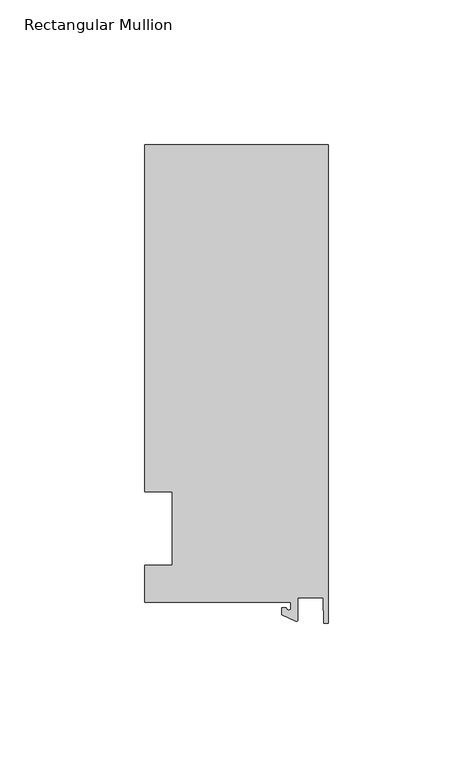
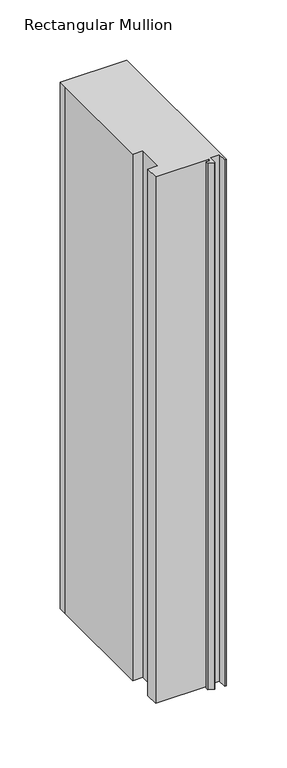
"""IFC4 building model written with IfcOpenShell, lengths in millimetres: member geometry, Rectangular Mullion."""

import ifcopenshell
import ifcopenshell.guid

model = None  # the IFC model being written
_history = None  # IfcOwnerHistory: only IFC2X3 demands one
_inside = {}  # id of a spatial element -> (the spatial element, [elements in it])
_under = {}  # id of a project, library or spatial element -> (it, [spatial elements below it])
_declared = {}  # id of a project -> (the project, [libraries it declares])
_typed = {}  # id of a type object -> (the type object, [elements of that type])
_made_of = {}  # id of a material, layer set ... -> (it, [elements and type objects made of it])


def new_model(schema):
    """Start an empty IFC model of exactly this schema.

    Asked for "IFC4X3", IfcOpenShell would pick the latest addendum, in which some entities
    have other attributes; the version numbers below select the first issue.
    IFC2X3 requires an IfcOwnerHistory on every rooted entity: one is made here for all.
    """
    global model, _history
    if schema == "IFC4X3":
        model = ifcopenshell.file(schema_version=(4, 3, 0, 0))
    else:
        model = ifcopenshell.file(schema=schema)
    _inside.clear()
    _under.clear()
    _declared.clear()
    _typed.clear()
    _made_of.clear()
    _history = None
    if model.schema == "IFC2X3":
        org = make("IfcOrganization", Name="unknown")
        user = make(
            "IfcPersonAndOrganization",
            ThePerson=make("IfcPerson", FamilyName="unknown"),
            TheOrganization=org,
        )
        app = make(
            "IfcApplication",
            ApplicationDeveloper=org,
            Version="unknown",
            ApplicationFullName="unknown",
            ApplicationIdentifier="unknown",
        )
        _history = make(
            "IfcOwnerHistory",
            OwningUser=user,
            OwningApplication=app,
            ChangeAction="ADDED",
            CreationDate=0,
        )
    return model


def make(cls, **values):
    """One entity of the class cls with the attributes given. An attribute that is None is left unset."""
    return model.create_entity(
        cls, **{name: value for name, value in values.items() if value is not None}
    )


def rooted(cls, **values):
    """An entity with a GlobalId (a new one), such as an element, a storey or a relation."""
    return make(cls, GlobalId=ifcopenshell.guid.new(), OwnerHistory=_history, **values)


def si_unit(unit_type, name, prefix=None):
    """IfcSIUnit, for example si_unit("LENGTHUNIT", "METRE", prefix="MILLI")."""
    return make("IfcSIUnit", UnitType=unit_type, Prefix=prefix, Name=name)


def assignment(units):
    """IfcUnitAssignment: the units of a project."""
    return None if units is None else make("IfcUnitAssignment", Units=units)


def point(xyz):
    """IfcCartesianPoint."""
    return None if xyz is None else make("IfcCartesianPoint", Coordinates=xyz)


def direction(xyz):
    """IfcDirection."""
    return None if xyz is None else make("IfcDirection", DirectionRatios=xyz)


def frame(location, z_axis=None, x_axis=None):
    """IfcAxis2Placement3D, a coordinate frame: its origin and axes. An axis left out is left unset."""
    return make(
        "IfcAxis2Placement3D",
        Location=point(location),
        Axis=direction(z_axis),
        RefDirection=direction(x_axis),
    )


def frame_2d(location, x_axis=None):
    """IfcAxis2Placement2D, a coordinate frame in the plane: its origin and x axis."""
    return make(
        "IfcAxis2Placement2D", Location=point(location), RefDirection=direction(x_axis)
    )


def origin():
    """The frame at (0, 0, 0) with its axes left unset."""
    return frame((0.0, 0.0, 0.0))


def place(relative_to, where):
    """IfcLocalPlacement: puts the frame where relative to a parent placement (None: the world)."""
    return make(
        "IfcLocalPlacement", PlacementRelTo=relative_to, RelativePlacement=where
    )


def context(
    kind, dimensions, precision=None, world=None, true_north=None, identifier=None
):
    """IfcGeometricRepresentationContext, for example the 3D "Model" context."""
    return make(
        "IfcGeometricRepresentationContext",
        ContextIdentifier=identifier,
        ContextType=kind,
        CoordinateSpaceDimension=dimensions,
        Precision=precision,
        WorldCoordinateSystem=world,
        TrueNorth=true_north,
    )


def project(units=None, contexts=None):
    """IfcProject with its units and contexts."""
    return rooted(
        "IfcProject",
        Name="project",
        RepresentationContexts=contexts,
        UnitsInContext=assignment(units),
    )


def spatial(cls, under=None, at=None, **own):
    """A site, building, storey or space (cls), placed at a placement, below another one or the project."""
    s = rooted(cls, ObjectPlacement=at, **own)
    if under is not None:
        _under.setdefault(under.id(), (under, []))[1].append(s)
    return s


def polyline(points):
    """IfcPolyline through the points."""
    return make("IfcPolyline", Points=[point(p) for p in points])


def circle_curve(where, radius):
    """IfcCircle in the frame where."""
    return make("IfcCircle", Position=where, Radius=radius)


def trimmed(basis, trim1, trim2, sense, master):
    """IfcTrimmedCurve: the piece of a basis curve between two trims."""
    return make(
        "IfcTrimmedCurve",
        BasisCurve=basis,
        Trim1=trim1,
        Trim2=trim2,
        SenseAgreement=sense,
        MasterRepresentation=master,
    )


def segment(curve, same_sense, transition):
    """IfcCompositeCurveSegment."""
    return make(
        "IfcCompositeCurveSegment",
        Transition=transition,
        SameSense=same_sense,
        ParentCurve=curve,
    )


def composite_curve(segments, self_intersect=None):
    """IfcCompositeCurve: segments joined end to end."""
    return make("IfcCompositeCurve", Segments=segments, SelfIntersect=self_intersect)


def outline(outer, holes=None, kind="AREA"):
    """IfcArbitraryClosedProfileDef: a profile drawn as a closed curve; with holes, ...WithVoids."""
    if holes is None:
        return make("IfcArbitraryClosedProfileDef", ProfileType=kind, OuterCurve=outer)
    return make(
        "IfcArbitraryProfileDefWithVoids",
        ProfileType=kind,
        OuterCurve=outer,
        InnerCurves=holes,
    )


def extrude(swept, where, along, depth):
    """IfcExtrudedAreaSolid: the profile swept, set in the frame where, extruded along a direction by depth."""
    return make(
        "IfcExtrudedAreaSolid",
        SweptArea=swept,
        Position=where,
        ExtrudedDirection=direction(along),
        Depth=depth,
    )


def shape(context_of_items, identifier, shape_type, items):
    """IfcShapeRepresentation: the items that make up one representation, for example the "Body"."""
    return make(
        "IfcShapeRepresentation",
        ContextOfItems=context_of_items,
        RepresentationIdentifier=identifier,
        RepresentationType=shape_type,
        Items=items,
    )


def source(mapping_origin, context_of_items, identifier, shape_type, items):
    """IfcRepresentationMap: a shape defined once, which mapped items show again and again."""
    return make(
        "IfcRepresentationMap",
        MappingOrigin=mapping_origin,
        MappedRepresentation=shape(context_of_items, identifier, shape_type, items),
    )


def transform(
    local_origin,
    x_axis=None,
    y_axis=None,
    z_axis=None,
    scale=None,
    scale2=None,
    scale3=None,
    uniform=True,
):
    """IfcCartesianTransformationOperator3D, or its non-uniform kind. x_axis, y_axis, z_axis: its Axis1, 2, 3."""
    if uniform:
        return make(
            "IfcCartesianTransformationOperator3D",
            Axis1=direction(x_axis),
            Axis2=direction(y_axis),
            LocalOrigin=point(local_origin),
            Scale=scale,
            Axis3=direction(z_axis),
        )
    return make(
        "IfcCartesianTransformationOperator3DnonUniform",
        Axis1=direction(x_axis),
        Axis2=direction(y_axis),
        LocalOrigin=point(local_origin),
        Scale=scale,
        Axis3=direction(z_axis),
        Scale2=scale2,
        Scale3=scale3,
    )


def mapped(mapping_source, mapping_target):
    """IfcMappedItem: shows the shape of a source again, moved by a transform."""
    return make(
        "IfcMappedItem", MappingSource=mapping_source, MappingTarget=mapping_target
    )


def made_of(thing, what):
    """Note that an element or type object is made of a material, layer set ...; save() writes the relation."""
    if what is not None:
        _made_of.setdefault(what.id(), (what, []))[1].append(thing)
    return thing


def element(
    cls,
    number,
    at=None,
    inside=None,
    cuts=None,
    type_object=None,
    material=None,
    context=None,
    identifier="Body",
    shape_type=None,
    held_by="IfcProductDefinitionShape",
    body=None,
    shapes=None,
    **own,
):
    """One element of the class cls, such as IfcWall. Its Tag is "e" and its number.

    at: its placement. inside: the storey or other place that contains it. cuts: it is an
    opening in that element (IfcRelVoidsElement). A single representation is given by context,
    identifier, shape_type and body (its items); several are given by shapes. held_by: the class
    of the entity that holds the representations. save() writes the other relations.
    """
    e = rooted(cls, Tag="e%d" % number, ObjectPlacement=at, **own)
    if body is not None:
        shapes = [shape(context, identifier, shape_type, body)]
    if shapes is not None:
        e.Representation = make(held_by, Representations=shapes)
    if inside is not None:
        _inside.setdefault(inside.id(), (inside, []))[1].append(e)
    if cuts is not None:
        rooted(
            "IfcRelVoidsElement", RelatingBuildingElement=cuts, RelatedOpeningElement=e
        )
    if type_object is not None:
        _typed.setdefault(type_object.id(), (type_object, []))[1].append(e)
    return made_of(e, material)


def aggregate(whole, parts):
    """IfcRelAggregates: a whole, such as a stair, and the parts it consists of."""
    return rooted("IfcRelAggregates", RelatingObject=whole, RelatedObjects=parts)


def save(model, path):
    """Write the relations noted so far, then the file.

    IfcRelAggregates (storeys below a building ...), IfcRelContainedInSpatialStructure (elements
    in a storey), IfcRelDefinesByType, IfcRelAssociatesMaterial and IfcRelDeclares: one each for
    every whole, place, type object, material and project.
    """
    for whole, parts in _under.values():
        aggregate(whole, parts)
    for where, things in _inside.values():
        rooted(
            "IfcRelContainedInSpatialStructure",
            RelatedElements=things,
            RelatingStructure=where,
        )
    for kind, things in _typed.values():
        rooted("IfcRelDefinesByType", RelatedObjects=things, RelatingType=kind)
    for what, things in _made_of.values():
        rooted("IfcRelAssociatesMaterial", RelatedObjects=things, RelatingMaterial=what)
    for by, libraries in _declared.values():
        rooted("IfcRelDeclares", RelatingContext=by, RelatedDefinitions=libraries)
    model.write(path)


def rectangular_mullion_8a5b9bf1(model_context):
    return source(origin(), model_context, "Body", "SweptSolid", [
        extrude(outline(composite_curve([segment(polyline([(-12.8216721, -25.5984375), (-63.5, -25.5984375), (-63.5, -12.7), (-53.975, -12.7), (-53.975, 12.7), (-63.5, 12.7), (-63.5, 125.075512), (-63.5, 132.822512), (0.0, 132.822512), (0.0, -32.810012), (-1.5566453, -32.810012), (-1.7144124, -23.9227662), (-10.4340721, -23.9227662), (-10.4340721, -31.6795354)]), True, "CONTINUOUS"), segment(trimmed(circle_curve(frame_2d((-10.9420721, -31.6795354)), 0.508), [point((-10.4340721, -31.6795354))], [point((-11.1567622, -32.1399398))], False, "CARTESIAN"), True, "CONTINUOUS"), segment(polyline([(-11.1567622, -32.1399398), (-15.9966721, -29.8830527), (-15.9966721, -27.5208534), (-14.4091721, -27.5208534)]), True, "CONTINUOUS"), segment(trimmed(circle_curve(frame_2d((-13.6154221, -27.5208534)), 0.79375), [point((-14.4091721, -27.5208534))], [point((-12.8216721, -27.5208534))], True, "CARTESIAN"), True, "CONTINUOUS"), segment(polyline([(-12.8216721, -27.5208534), (-12.8216721, -25.5984375)]), True, "CONTINUOUS")], self_intersect=False)), frame((0.0, 0.0, -533.4), z_axis=(0.0, 0.0, 1.0), x_axis=(1.0, 0.0, 0.0)), (0.0, 0.0, 1.0), 533.4),
    ])


if __name__ == "__main__":
    model = new_model("IFC4")
    model_context = context("Model", 3, world=origin())
    ifc_project = project(units=[si_unit("LENGTHUNIT", "METRE", prefix="MILLI")], contexts=[model_context])
    site = spatial("IfcSite", under=ifc_project)
    building = spatial("IfcBuilding", under=site)
    placement = place(None, origin())
    rectangular_mullion_shape = rectangular_mullion_8a5b9bf1(model_context)
    element("IfcMember", 1, ObjectType="Rectangular Mullion", at=placement, inside=building, context=model_context, shape_type="MappedRepresentation", body=[
        mapped(rectangular_mullion_shape, transform((0.0, 0.0, 0.0), x_axis=(1.0, 0.0, 0.0), y_axis=(0.0, 1.0, 0.0), z_axis=(0.0, 0.0, 1.0))),
    ])
    save(model, "model.ifc")
